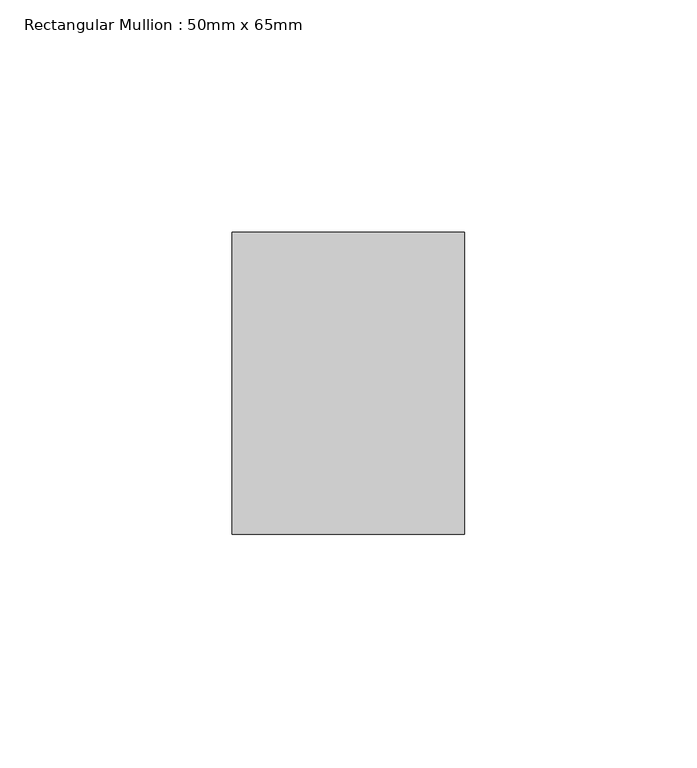
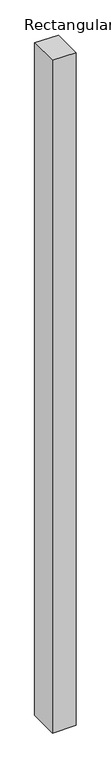
"""IFC4 building model written with IfcOpenShell, lengths in millimetres: member geometry, Rectangular Mullion : 50mm x 65mm."""

from ifc_helpers import new_model, si_unit, origin, place, context, project, spatial, faceted_brep, source, transform, mapped, element, save


def rectangular_mullion_50mm_x_65mm_50da547e(model_context):
    return source(origin(), model_context, "Body", "Brep", [
        faceted_brep([(-25.0, 32.5, -0.266449), (25.0, 32.5, -0.2664464), (25.0, 32.5, -1499.6463203), (-25.0, 32.5, -1499.6463169), (-25.0, -32.5, 0.2664464), (-25.0, -32.5, -1500.3536575), (25.0, -32.5, 0.266449), (25.0, -32.5, -1500.3536609)], [[[0, 1, 2, 3]], [[4, 0, 3, 5]], [[6, 4, 5, 7]], [[1, 6, 7, 2]], [[1, 0, 4, 6]], [[2, 7, 5, 3]]]),
    ])


if __name__ == "__main__":
    model = new_model("IFC4")
    model_context = context("Model", 3, world=origin())
    ifc_project = project(units=[si_unit("LENGTHUNIT", "METRE", prefix="MILLI")], contexts=[model_context])
    site = spatial("IfcSite", under=ifc_project)
    building = spatial("IfcBuilding", under=site)
    placement = place(None, origin())
    rectangular_mullion_50mm_x_65mm_shape = rectangular_mullion_50mm_x_65mm_50da547e(model_context)
    element("IfcMember", 1, ObjectType="Rectangular Mullion : 50mm x 65mm", at=placement, inside=building, context=model_context, shape_type="MappedRepresentation", body=[
        mapped(rectangular_mullion_50mm_x_65mm_shape, transform((0.0, 0.0, 0.0), x_axis=(1.0, 0.0, 0.0), y_axis=(0.0, 1.0, 0.0), z_axis=(0.0, 0.0, 1.0))),
    ])
    save(model, "model.ifc")
